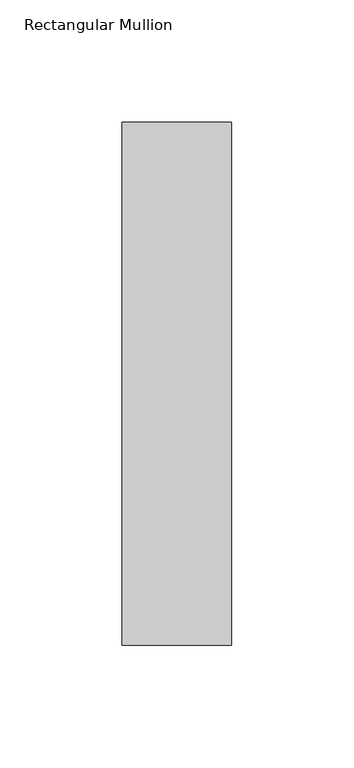
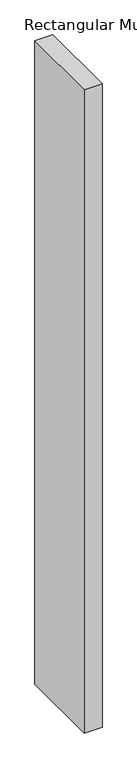
"""IFC4 building model written with IfcOpenShell, lengths in millimetres: member geometry, Rectangular Mullion."""

import ifcopenshell
import ifcopenshell.guid

model = None  # the IFC model being written
_history = None  # IfcOwnerHistory: only IFC2X3 demands one
_inside = {}  # id of a spatial element -> (the spatial element, [elements in it])
_under = {}  # id of a project, library or spatial element -> (it, [spatial elements below it])
_declared = {}  # id of a project -> (the project, [libraries it declares])
_typed = {}  # id of a type object -> (the type object, [elements of that type])
_made_of = {}  # id of a material, layer set ... -> (it, [elements and type objects made of it])


def new_model(schema):
    """Start an empty IFC model of exactly this schema.

    Asked for "IFC4X3", IfcOpenShell would pick the latest addendum, in which some entities
    have other attributes; the version numbers below select the first issue.
    IFC2X3 requires an IfcOwnerHistory on every rooted entity: one is made here for all.
    """
    global model, _history
    if schema == "IFC4X3":
        model = ifcopenshell.file(schema_version=(4, 3, 0, 0))
    else:
        model = ifcopenshell.file(schema=schema)
    _inside.clear()
    _under.clear()
    _declared.clear()
    _typed.clear()
    _made_of.clear()
    _history = None
    if model.schema == "IFC2X3":
        org = make("IfcOrganization", Name="unknown")
        user = make(
            "IfcPersonAndOrganization",
            ThePerson=make("IfcPerson", FamilyName="unknown"),
            TheOrganization=org,
        )
        app = make(
            "IfcApplication",
            ApplicationDeveloper=org,
            Version="unknown",
            ApplicationFullName="unknown",
            ApplicationIdentifier="unknown",
        )
        _history = make(
            "IfcOwnerHistory",
            OwningUser=user,
            OwningApplication=app,
            ChangeAction="ADDED",
            CreationDate=0,
        )
    return model


def make(cls, **values):
    """One entity of the class cls with the attributes given. An attribute that is None is left unset."""
    return model.create_entity(
        cls, **{name: value for name, value in values.items() if value is not None}
    )


def rooted(cls, **values):
    """An entity with a GlobalId (a new one), such as an element, a storey or a relation."""
    return make(cls, GlobalId=ifcopenshell.guid.new(), OwnerHistory=_history, **values)


def si_unit(unit_type, name, prefix=None):
    """IfcSIUnit, for example si_unit("LENGTHUNIT", "METRE", prefix="MILLI")."""
    return make("IfcSIUnit", UnitType=unit_type, Prefix=prefix, Name=name)


def assignment(units):
    """IfcUnitAssignment: the units of a project."""
    return None if units is None else make("IfcUnitAssignment", Units=units)


def point(xyz):
    """IfcCartesianPoint."""
    return None if xyz is None else make("IfcCartesianPoint", Coordinates=xyz)


def direction(xyz):
    """IfcDirection."""
    return None if xyz is None else make("IfcDirection", DirectionRatios=xyz)


def frame(location, z_axis=None, x_axis=None):
    """IfcAxis2Placement3D, a coordinate frame: its origin and axes. An axis left out is left unset."""
    return make(
        "IfcAxis2Placement3D",
        Location=point(location),
        Axis=direction(z_axis),
        RefDirection=direction(x_axis),
    )


def origin():
    """The frame at (0, 0, 0) with its axes left unset."""
    return frame((0.0, 0.0, 0.0))


def place(relative_to, where):
    """IfcLocalPlacement: puts the frame where relative to a parent placement (None: the world)."""
    return make(
        "IfcLocalPlacement", PlacementRelTo=relative_to, RelativePlacement=where
    )


def context(
    kind, dimensions, precision=None, world=None, true_north=None, identifier=None
):
    """IfcGeometricRepresentationContext, for example the 3D "Model" context."""
    return make(
        "IfcGeometricRepresentationContext",
        ContextIdentifier=identifier,
        ContextType=kind,
        CoordinateSpaceDimension=dimensions,
        Precision=precision,
        WorldCoordinateSystem=world,
        TrueNorth=true_north,
    )


def project(units=None, contexts=None):
    """IfcProject with its units and contexts."""
    return rooted(
        "IfcProject",
        Name="project",
        RepresentationContexts=contexts,
        UnitsInContext=assignment(units),
    )


def spatial(cls, under=None, at=None, **own):
    """A site, building, storey or space (cls), placed at a placement, below another one or the project."""
    s = rooted(cls, ObjectPlacement=at, **own)
    if under is not None:
        _under.setdefault(under.id(), (under, []))[1].append(s)
    return s


def polyline(points):
    """IfcPolyline through the points."""
    return make("IfcPolyline", Points=[point(p) for p in points])


def outline(outer, holes=None, kind="AREA"):
    """IfcArbitraryClosedProfileDef: a profile drawn as a closed curve; with holes, ...WithVoids."""
    if holes is None:
        return make("IfcArbitraryClosedProfileDef", ProfileType=kind, OuterCurve=outer)
    return make(
        "IfcArbitraryProfileDefWithVoids",
        ProfileType=kind,
        OuterCurve=outer,
        InnerCurves=holes,
    )


def extrude(swept, where, along, depth):
    """IfcExtrudedAreaSolid: the profile swept, set in the frame where, extruded along a direction by depth."""
    return make(
        "IfcExtrudedAreaSolid",
        SweptArea=swept,
        Position=where,
        ExtrudedDirection=direction(along),
        Depth=depth,
    )


def shape(context_of_items, identifier, shape_type, items):
    """IfcShapeRepresentation: the items that make up one representation, for example the "Body"."""
    return make(
        "IfcShapeRepresentation",
        ContextOfItems=context_of_items,
        RepresentationIdentifier=identifier,
        RepresentationType=shape_type,
        Items=items,
    )


def source(mapping_origin, context_of_items, identifier, shape_type, items):
    """IfcRepresentationMap: a shape defined once, which mapped items show again and again."""
    return make(
        "IfcRepresentationMap",
        MappingOrigin=mapping_origin,
        MappedRepresentation=shape(context_of_items, identifier, shape_type, items),
    )


def transform(
    local_origin,
    x_axis=None,
    y_axis=None,
    z_axis=None,
    scale=None,
    scale2=None,
    scale3=None,
    uniform=True,
):
    """IfcCartesianTransformationOperator3D, or its non-uniform kind. x_axis, y_axis, z_axis: its Axis1, 2, 3."""
    if uniform:
        return make(
            "IfcCartesianTransformationOperator3D",
            Axis1=direction(x_axis),
            Axis2=direction(y_axis),
            LocalOrigin=point(local_origin),
            Scale=scale,
            Axis3=direction(z_axis),
        )
    return make(
        "IfcCartesianTransformationOperator3DnonUniform",
        Axis1=direction(x_axis),
        Axis2=direction(y_axis),
        LocalOrigin=point(local_origin),
        Scale=scale,
        Axis3=direction(z_axis),
        Scale2=scale2,
        Scale3=scale3,
    )


def mapped(mapping_source, mapping_target):
    """IfcMappedItem: shows the shape of a source again, moved by a transform."""
    return make(
        "IfcMappedItem", MappingSource=mapping_source, MappingTarget=mapping_target
    )


def made_of(thing, what):
    """Note that an element or type object is made of a material, layer set ...; save() writes the relation."""
    if what is not None:
        _made_of.setdefault(what.id(), (what, []))[1].append(thing)
    return thing


def element(
    cls,
    number,
    at=None,
    inside=None,
    cuts=None,
    type_object=None,
    material=None,
    context=None,
    identifier="Body",
    shape_type=None,
    held_by="IfcProductDefinitionShape",
    body=None,
    shapes=None,
    **own,
):
    """One element of the class cls, such as IfcWall. Its Tag is "e" and its number.

    at: its placement. inside: the storey or other place that contains it. cuts: it is an
    opening in that element (IfcRelVoidsElement). A single representation is given by context,
    identifier, shape_type and body (its items); several are given by shapes. held_by: the class
    of the entity that holds the representations. save() writes the other relations.
    """
    e = rooted(cls, Tag="e%d" % number, ObjectPlacement=at, **own)
    if body is not None:
        shapes = [shape(context, identifier, shape_type, body)]
    if shapes is not None:
        e.Representation = make(held_by, Representations=shapes)
    if inside is not None:
        _inside.setdefault(inside.id(), (inside, []))[1].append(e)
    if cuts is not None:
        rooted(
            "IfcRelVoidsElement", RelatingBuildingElement=cuts, RelatedOpeningElement=e
        )
    if type_object is not None:
        _typed.setdefault(type_object.id(), (type_object, []))[1].append(e)
    return made_of(e, material)


def aggregate(whole, parts):
    """IfcRelAggregates: a whole, such as a stair, and the parts it consists of."""
    return rooted("IfcRelAggregates", RelatingObject=whole, RelatedObjects=parts)


def save(model, path):
    """Write the relations noted so far, then the file.

    IfcRelAggregates (storeys below a building ...), IfcRelContainedInSpatialStructure (elements
    in a storey), IfcRelDefinesByType, IfcRelAssociatesMaterial and IfcRelDeclares: one each for
    every whole, place, type object, material and project.
    """
    for whole, parts in _under.values():
        aggregate(whole, parts)
    for where, things in _inside.values():
        rooted(
            "IfcRelContainedInSpatialStructure",
            RelatedElements=things,
            RelatingStructure=where,
        )
    for kind, things in _typed.values():
        rooted("IfcRelDefinesByType", RelatedObjects=things, RelatingType=kind)
    for what, things in _made_of.values():
        rooted("IfcRelAssociatesMaterial", RelatedObjects=things, RelatingMaterial=what)
    for by, libraries in _declared.values():
        rooted("IfcRelDeclares", RelatingContext=by, RelatedDefinitions=libraries)
    model.write(path)


def rectangular_mullion_8e9c72c8(model_context):
    return source(origin(), model_context, "Body", "SweptSolid", [
        extrude(outline(polyline([(22.5, 162.60625), (22.5, -51.60625), (-22.5, -51.60625), (-22.5, 162.60625), (22.5, 162.60625)])), frame((0.0, 0.0, -1708.8912252), z_axis=(0.0, 0.0, 1.0), x_axis=(1.0, 0.0, 0.0)), (0.0, 0.0, 1.0), 1708.8912252),
    ])


if __name__ == "__main__":
    model = new_model("IFC4")
    model_context = context("Model", 3, world=origin())
    ifc_project = project(units=[si_unit("LENGTHUNIT", "METRE", prefix="MILLI")], contexts=[model_context])
    site = spatial("IfcSite", under=ifc_project)
    building = spatial("IfcBuilding", under=site)
    placement = place(None, origin())
    rectangular_mullion_shape = rectangular_mullion_8e9c72c8(model_context)
    element("IfcMember", 1, ObjectType="Rectangular Mullion", at=placement, inside=building, context=model_context, shape_type="MappedRepresentation", body=[
        mapped(rectangular_mullion_shape, transform((0.0, 0.0, 0.0), x_axis=(1.0, 0.0, 0.0), y_axis=(0.0, 1.0, 0.0), z_axis=(0.0, 0.0, 1.0))),
    ])
    save(model, "model.ifc")
